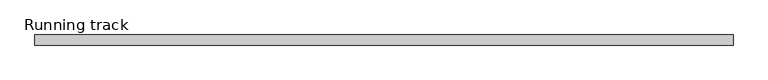
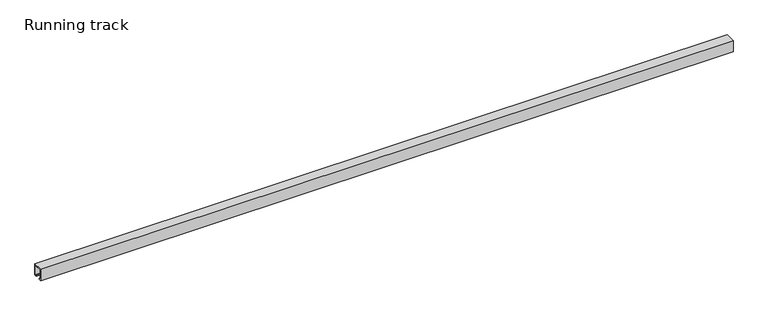
"""IFC4 building model written with IfcOpenShell, lengths in millimetres: proxy geometry, Running track."""

from ifc_helpers import new_model, si_unit, point, frame, frame_2d, origin, origin_with_axes, place, context, project, spatial, polyline, circle_curve, trimmed, segment, composite_curve, outline, extrude, faceted_brep, source, transform, mapped, element, save


def running_track_8da52608(model_context):
    return source(origin(), model_context, "Body", "SolidModel", [
        extrude(outline(composite_curve([segment(trimmed(circle_curve(frame_2d((0.0, 18.67839)), 6.3335878), [point((6.3335878, 18.67839))], [point((-6.3335878, 18.67839))], False, "CARTESIAN"), True, "CONTINUOUS"), segment(trimmed(circle_curve(frame_2d((0.0, 18.67839)), 6.3335878), [point((-6.3335878, 18.67839))], [point((6.3335878, 18.67839))], False, "CARTESIAN"), True, "CONTINUOUS")], self_intersect=False)), frame((2268.0, 0.0, 0.0), z_axis=(1.0, 0.0, 0.0), x_axis=(0.0, 1.0, 0.0)), (0.0, 0.0, 1.0), 4.0),
        faceted_brep([(2314.5, 14.5, 36.5), (2314.5, 14.5, 3.0), (2272.0, 14.5, 3.0), (2272.0, 14.5, 36.5), (2314.5, -14.5, 36.5), (2272.0, -14.5, 36.5), (2272.0, -14.5, 3.0), (2314.5, -14.5, 3.0), (2272.0, 12.5, 36.5), (2311.9235205, 12.5, 36.5), (2311.9235205, -12.531559, 36.5), (2272.0, -12.531559, 36.5), (2272.0, -12.531559, 25.3706125), (2272.0, 12.5, 25.3706125), (2311.9235205, 12.5, 25.3706125), (2311.9235205, -12.531559, 25.3706125)], [[[0, 1, 2, 3]], [[4, 5, 6, 7]], [[3, 8, 9, 10, 11, 5, 4, 0]], [[2, 6, 5, 11, 12, 13, 8, 3]], [[1, 7, 6, 2]], [[0, 4, 7, 1]], [[14, 9, 8, 13]], [[15, 12, 11, 10]], [[15, 10, 9, 14]], [[14, 13, 12, 15]]]),
        extrude(outline(polyline([(2314.5, 12.5), (2314.5, -12.531559), (2270.0024224, -12.531559), (2270.0024224, 12.5), (2314.5, 12.5)])), origin_with_axes(), (0.0, 0.0, 1.0), 3.0),
        extrude(outline(polyline([(36.5, 2257.1109747), (36.5, 2233.4983788), (33.2695661, 2233.4983788), (33.2695661, 2235.332539), (24.3170527, 2310.6793739), (32.9021554, 2310.6793739), (36.5, 2257.1109747)])), frame((0.0, -12.531559, 0.0), z_axis=(0.0, 1.0, 0.0), x_axis=(0.0, 0.0, 1.0)), (0.0, 0.0, 1.0), 25.031559),
        extrude(outline(polyline([(-17.0, 40.0), (17.0, 40.0), (17.0, 0.0), (9.0, 0.0), (9.0, 3.0), (14.0, 3.0), (14.0, 37.0), (-14.0, 37.0), (-14.0, 3.0), (-9.0, 3.0), (-9.0, 0.0), (-17.0, 0.0), (-17.0, 40.0)])), frame((0.0, 0.0, 0.0), z_axis=(1.0, 0.0, 0.0), x_axis=(0.0, 1.0, 0.0)), (0.0, 0.0, 1.0), 2350.0),
    ])


if __name__ == "__main__":
    model = new_model("IFC4")
    model_context = context("Model", 3, world=origin())
    ifc_project = project(units=[si_unit("LENGTHUNIT", "METRE", prefix="MILLI")], contexts=[model_context])
    site = spatial("IfcSite", under=ifc_project)
    building = spatial("IfcBuilding", under=site)
    placement = place(None, origin())
    running_track_shape = running_track_8da52608(model_context)
    element("IfcBuildingElementProxy", 1, Name="Running track", ObjectType="Running track", at=placement, inside=building, context=model_context, shape_type="MappedRepresentation", body=[
        mapped(running_track_shape, transform((0.0, 0.0, 0.0), x_axis=(1.0, 0.0, 0.0), y_axis=(0.0, 1.0, 0.0), z_axis=(0.0, 0.0, 1.0))),
    ])
    save(model, "model.ifc")
